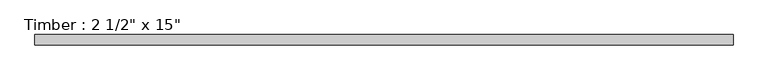
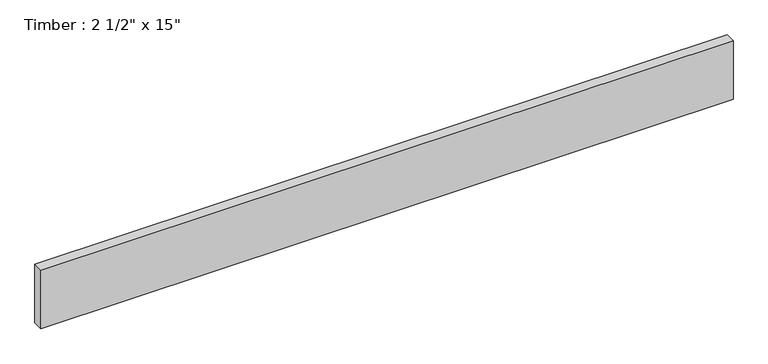
"""IFC4 building model written with IfcOpenShell, lengths in millimetres: beam geometry."""

import ifcopenshell
import ifcopenshell.guid

model = None  # the IFC model being written
_history = None  # IfcOwnerHistory: only IFC2X3 demands one
_inside = {}  # id of a spatial element -> (the spatial element, [elements in it])
_under = {}  # id of a project, library or spatial element -> (it, [spatial elements below it])
_declared = {}  # id of a project -> (the project, [libraries it declares])
_typed = {}  # id of a type object -> (the type object, [elements of that type])
_made_of = {}  # id of a material, layer set ... -> (it, [elements and type objects made of it])


def new_model(schema):
    """Start an empty IFC model of exactly this schema.

    Asked for "IFC4X3", IfcOpenShell would pick the latest addendum, in which some entities
    have other attributes; the version numbers below select the first issue.
    IFC2X3 requires an IfcOwnerHistory on every rooted entity: one is made here for all.
    """
    global model, _history
    if schema == "IFC4X3":
        model = ifcopenshell.file(schema_version=(4, 3, 0, 0))
    else:
        model = ifcopenshell.file(schema=schema)
    _inside.clear()
    _under.clear()
    _declared.clear()
    _typed.clear()
    _made_of.clear()
    _history = None
    if model.schema == "IFC2X3":
        org = make("IfcOrganization", Name="unknown")
        user = make(
            "IfcPersonAndOrganization",
            ThePerson=make("IfcPerson", FamilyName="unknown"),
            TheOrganization=org,
        )
        app = make(
            "IfcApplication",
            ApplicationDeveloper=org,
            Version="unknown",
            ApplicationFullName="unknown",
            ApplicationIdentifier="unknown",
        )
        _history = make(
            "IfcOwnerHistory",
            OwningUser=user,
            OwningApplication=app,
            ChangeAction="ADDED",
            CreationDate=0,
        )
    return model


def make(cls, **values):
    """One entity of the class cls with the attributes given. An attribute that is None is left unset."""
    return model.create_entity(
        cls, **{name: value for name, value in values.items() if value is not None}
    )


def rooted(cls, **values):
    """An entity with a GlobalId (a new one), such as an element, a storey or a relation."""
    return make(cls, GlobalId=ifcopenshell.guid.new(), OwnerHistory=_history, **values)


def si_unit(unit_type, name, prefix=None):
    """IfcSIUnit, for example si_unit("LENGTHUNIT", "METRE", prefix="MILLI")."""
    return make("IfcSIUnit", UnitType=unit_type, Prefix=prefix, Name=name)


def assignment(units):
    """IfcUnitAssignment: the units of a project."""
    return None if units is None else make("IfcUnitAssignment", Units=units)


def point(xyz):
    """IfcCartesianPoint."""
    return None if xyz is None else make("IfcCartesianPoint", Coordinates=xyz)


def direction(xyz):
    """IfcDirection."""
    return None if xyz is None else make("IfcDirection", DirectionRatios=xyz)


def frame(location, z_axis=None, x_axis=None):
    """IfcAxis2Placement3D, a coordinate frame: its origin and axes. An axis left out is left unset."""
    return make(
        "IfcAxis2Placement3D",
        Location=point(location),
        Axis=direction(z_axis),
        RefDirection=direction(x_axis),
    )


def origin():
    """The frame at (0, 0, 0) with its axes left unset."""
    return frame((0.0, 0.0, 0.0))


def place(relative_to, where):
    """IfcLocalPlacement: puts the frame where relative to a parent placement (None: the world)."""
    return make(
        "IfcLocalPlacement", PlacementRelTo=relative_to, RelativePlacement=where
    )


def context(
    kind, dimensions, precision=None, world=None, true_north=None, identifier=None
):
    """IfcGeometricRepresentationContext, for example the 3D "Model" context."""
    return make(
        "IfcGeometricRepresentationContext",
        ContextIdentifier=identifier,
        ContextType=kind,
        CoordinateSpaceDimension=dimensions,
        Precision=precision,
        WorldCoordinateSystem=world,
        TrueNorth=true_north,
    )


def project(units=None, contexts=None):
    """IfcProject with its units and contexts."""
    return rooted(
        "IfcProject",
        Name="project",
        RepresentationContexts=contexts,
        UnitsInContext=assignment(units),
    )


def spatial(cls, under=None, at=None, **own):
    """A site, building, storey or space (cls), placed at a placement, below another one or the project."""
    s = rooted(cls, ObjectPlacement=at, **own)
    if under is not None:
        _under.setdefault(under.id(), (under, []))[1].append(s)
    return s


def polyline(points):
    """IfcPolyline through the points."""
    return make("IfcPolyline", Points=[point(p) for p in points])


def outline(outer, holes=None, kind="AREA"):
    """IfcArbitraryClosedProfileDef: a profile drawn as a closed curve; with holes, ...WithVoids."""
    if holes is None:
        return make("IfcArbitraryClosedProfileDef", ProfileType=kind, OuterCurve=outer)
    return make(
        "IfcArbitraryProfileDefWithVoids",
        ProfileType=kind,
        OuterCurve=outer,
        InnerCurves=holes,
    )


def extrude(swept, where, along, depth):
    """IfcExtrudedAreaSolid: the profile swept, set in the frame where, extruded along a direction by depth."""
    return make(
        "IfcExtrudedAreaSolid",
        SweptArea=swept,
        Position=where,
        ExtrudedDirection=direction(along),
        Depth=depth,
    )


def shape(context_of_items, identifier, shape_type, items):
    """IfcShapeRepresentation: the items that make up one representation, for example the "Body"."""
    return make(
        "IfcShapeRepresentation",
        ContextOfItems=context_of_items,
        RepresentationIdentifier=identifier,
        RepresentationType=shape_type,
        Items=items,
    )


def source(mapping_origin, context_of_items, identifier, shape_type, items):
    """IfcRepresentationMap: a shape defined once, which mapped items show again and again."""
    return make(
        "IfcRepresentationMap",
        MappingOrigin=mapping_origin,
        MappedRepresentation=shape(context_of_items, identifier, shape_type, items),
    )


def transform(
    local_origin,
    x_axis=None,
    y_axis=None,
    z_axis=None,
    scale=None,
    scale2=None,
    scale3=None,
    uniform=True,
):
    """IfcCartesianTransformationOperator3D, or its non-uniform kind. x_axis, y_axis, z_axis: its Axis1, 2, 3."""
    if uniform:
        return make(
            "IfcCartesianTransformationOperator3D",
            Axis1=direction(x_axis),
            Axis2=direction(y_axis),
            LocalOrigin=point(local_origin),
            Scale=scale,
            Axis3=direction(z_axis),
        )
    return make(
        "IfcCartesianTransformationOperator3DnonUniform",
        Axis1=direction(x_axis),
        Axis2=direction(y_axis),
        LocalOrigin=point(local_origin),
        Scale=scale,
        Axis3=direction(z_axis),
        Scale2=scale2,
        Scale3=scale3,
    )


def mapped(mapping_source, mapping_target):
    """IfcMappedItem: shows the shape of a source again, moved by a transform."""
    return make(
        "IfcMappedItem", MappingSource=mapping_source, MappingTarget=mapping_target
    )


def made_of(thing, what):
    """Note that an element or type object is made of a material, layer set ...; save() writes the relation."""
    if what is not None:
        _made_of.setdefault(what.id(), (what, []))[1].append(thing)
    return thing


def element(
    cls,
    number,
    at=None,
    inside=None,
    cuts=None,
    type_object=None,
    material=None,
    context=None,
    identifier="Body",
    shape_type=None,
    held_by="IfcProductDefinitionShape",
    body=None,
    shapes=None,
    **own,
):
    """One element of the class cls, such as IfcWall. Its Tag is "e" and its number.

    at: its placement. inside: the storey or other place that contains it. cuts: it is an
    opening in that element (IfcRelVoidsElement). A single representation is given by context,
    identifier, shape_type and body (its items); several are given by shapes. held_by: the class
    of the entity that holds the representations. save() writes the other relations.
    """
    e = rooted(cls, Tag="e%d" % number, ObjectPlacement=at, **own)
    if body is not None:
        shapes = [shape(context, identifier, shape_type, body)]
    if shapes is not None:
        e.Representation = make(held_by, Representations=shapes)
    if inside is not None:
        _inside.setdefault(inside.id(), (inside, []))[1].append(e)
    if cuts is not None:
        rooted(
            "IfcRelVoidsElement", RelatingBuildingElement=cuts, RelatedOpeningElement=e
        )
    if type_object is not None:
        _typed.setdefault(type_object.id(), (type_object, []))[1].append(e)
    return made_of(e, material)


def aggregate(whole, parts):
    """IfcRelAggregates: a whole, such as a stair, and the parts it consists of."""
    return rooted("IfcRelAggregates", RelatingObject=whole, RelatedObjects=parts)


def save(model, path):
    """Write the relations noted so far, then the file.

    IfcRelAggregates (storeys below a building ...), IfcRelContainedInSpatialStructure (elements
    in a storey), IfcRelDefinesByType, IfcRelAssociatesMaterial and IfcRelDeclares: one each for
    every whole, place, type object, material and project.
    """
    for whole, parts in _under.values():
        aggregate(whole, parts)
    for where, things in _inside.values():
        rooted(
            "IfcRelContainedInSpatialStructure",
            RelatedElements=things,
            RelatingStructure=where,
        )
    for kind, things in _typed.values():
        rooted("IfcRelDefinesByType", RelatedObjects=things, RelatingType=kind)
    for what, things in _made_of.values():
        rooted("IfcRelAssociatesMaterial", RelatedObjects=things, RelatingMaterial=what)
    for by, libraries in _declared.values():
        rooted("IfcRelDeclares", RelatingContext=by, RelatedDefinitions=libraries)
    model.write(path)


def beam_37ec8826(model_context):
    return source(origin(), model_context, "Body", "SweptSolid", [
        extrude(outline(polyline([(2129.9109578, 31.75), (2129.9109578, -31.75), (-2129.9109578, -31.75), (-2129.9109578, 31.75), (2129.9109578, 31.75)])), frame((0.0, 0.0, -190.5), z_axis=(0.0, 0.0, 1.0), x_axis=(1.0, 0.0, 0.0)), (0.0, 0.0, 1.0), 381.0),
    ])


if __name__ == "__main__":
    model = new_model("IFC4")
    model_context = context("Model", 3, world=origin())
    ifc_project = project(units=[si_unit("LENGTHUNIT", "METRE", prefix="MILLI")], contexts=[model_context])
    site = spatial("IfcSite", under=ifc_project)
    building = spatial("IfcBuilding", under=site)
    placement = place(None, origin())
    beam_shape = beam_37ec8826(model_context)
    element("IfcBeam", 1, ObjectType="Timber : 2 1/2\" x 15\"", at=placement, inside=building, context=model_context, shape_type="MappedRepresentation", body=[
        mapped(beam_shape, transform((0.0, 0.0, 0.0), x_axis=(1.0, 0.0, 0.0), y_axis=(0.0, 1.0, 0.0), z_axis=(0.0, 0.0, 1.0))),
    ])
    save(model, "model.ifc")
